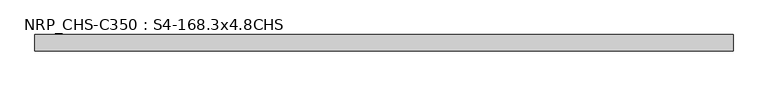
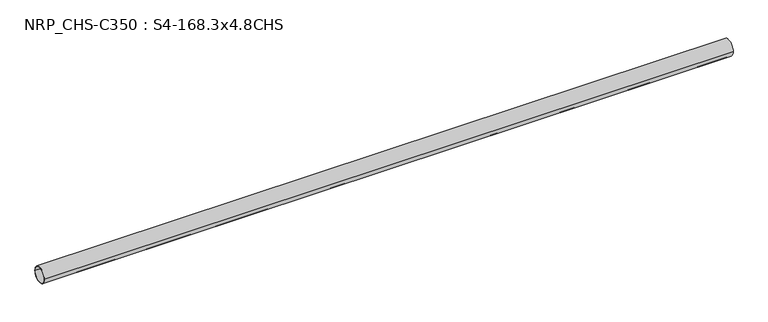
"""IFC4 building model written with IfcOpenShell, lengths in millimetres: beam geometry, NRP_CHS-C350 : S4-168.3x4.8CHS."""

from ifc_helpers import new_model, si_unit, point, frame, origin, origin_2d, place, context, project, spatial, circle_curve, trimmed, segment, composite_curve, outline, extrude, source, transform, mapped, element, save


def nrp_chs_c350_s4_168_3x4_8chs_4ba9abcd(model_context):
    return source(origin(), model_context, "Body", "SweptSolid", [
        extrude(outline(composite_curve([segment(trimmed(circle_curve(origin_2d(), 84.15), [point((84.15, 0.0))], [point((-84.15, 0.0))], False, "CARTESIAN"), True, "CONTINUOUS"), segment(trimmed(circle_curve(origin_2d(), 84.15), [point((-84.15, 0.0))], [point((84.15, 0.0))], False, "CARTESIAN"), True, "CONTINUOUS")], self_intersect=False), holes=[composite_curve([segment(trimmed(circle_curve(origin_2d(), 79.35), [point((-79.35, 0.0))], [point((79.35, 0.0))], True, "CARTESIAN"), True, "CONTINUOUS"), segment(trimmed(circle_curve(origin_2d(), 79.35), [point((79.35, 0.0))], [point((-79.35, 0.0))], True, "CARTESIAN"), True, "CONTINUOUS")], self_intersect=False)]), frame((-3604.05, 0.0, 0.0), z_axis=(1.0, 0.0, 0.0), x_axis=(0.0, 1.0, 0.0)), (0.0, 0.0, 1.0), 7189.1),
    ])


if __name__ == "__main__":
    model = new_model("IFC4")
    model_context = context("Model", 3, world=origin())
    ifc_project = project(units=[si_unit("LENGTHUNIT", "METRE", prefix="MILLI")], contexts=[model_context])
    site = spatial("IfcSite", under=ifc_project)
    building = spatial("IfcBuilding", under=site)
    placement = place(None, origin())
    nrp_chs_c350_s4_168_3x4_8chs_shape = nrp_chs_c350_s4_168_3x4_8chs_4ba9abcd(model_context)
    element("IfcBeam", 1, ObjectType="NRP_CHS-C350 : S4-168.3x4.8CHS", at=placement, inside=building, context=model_context, shape_type="MappedRepresentation", body=[
        mapped(nrp_chs_c350_s4_168_3x4_8chs_shape, transform((0.0, 0.0, 0.0), x_axis=(1.0, 0.0, 0.0), y_axis=(0.0, 1.0, 0.0), z_axis=(0.0, 0.0, 1.0))),
    ])
    save(model, "model.ifc")
